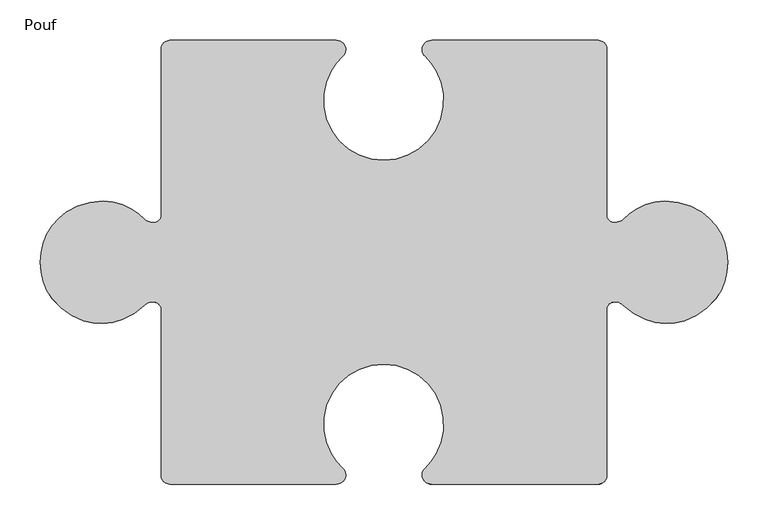
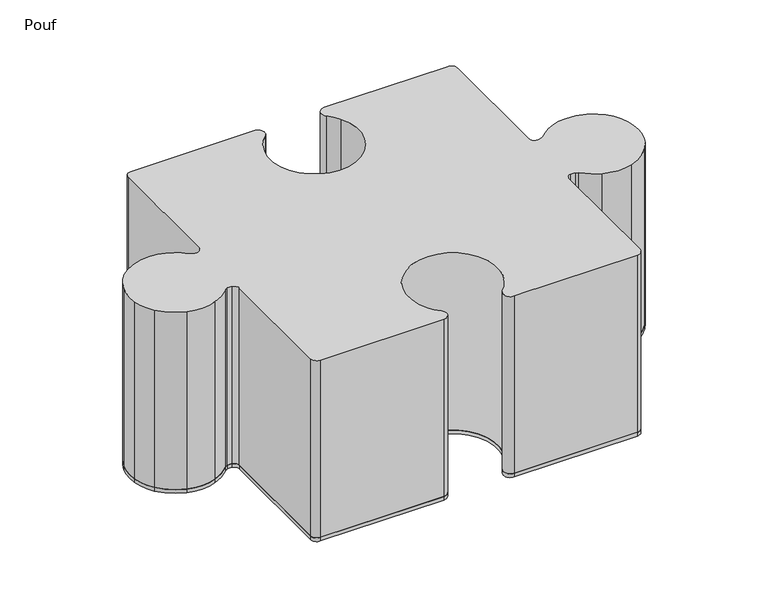
"""IFC4 building model written with IfcOpenShell, lengths in millimetres: furniture geometry, Pouf."""

from ifc_helpers import new_model, si_unit, point, frame, frame_2d, origin, origin_with_axes, place, context, project, spatial, polyline, circle_curve, trimmed, segment, composite_curve, outline, extrude, source, transform, mapped, element, save


def pouf_9f480b09(model_context):
    return source(origin(), model_context, "Body", "SweptSolid", [
        extrude(outline(composite_curve([segment(polyline([(294.7255158, 102.7178879), (294.7255158, 308.6695312)]), True, "CONTINUOUS"), segment(trimmed(circle_curve(frame_2d((305.4411408, 308.6695312)), 10.715625), [point((294.7255158, 308.6695312))], [point((305.4411408, 319.3851562))], False, "CARTESIAN"), True, "CONTINUOUS"), segment(polyline([(305.4411408, 319.3851562), (511.5899306, 319.3851562)]), True, "CONTINUOUS"), segment(trimmed(circle_curve(frame_2d((511.5899306, 307.8757812)), 11.509375), [point((511.5899306, 319.3851562))], [point((519.0485904, 299.1102746))], False, "CARTESIAN"), True, "CONTINUOUS"), segment(trimmed(circle_curve(frame_2d((560.0505979, 250.9242224)), 63.269742), [point((519.0485904, 299.1102746))], [point((504.9347235, 281.99351))], True, "CARTESIAN"), True, "CONTINUOUS"), segment(trimmed(circle_curve(frame_2d((569.9315617, 245.354239)), 74.6125), [point((504.9347235, 281.99351))], [point((634.9284, 281.99351))], True, "CARTESIAN"), True, "CONTINUOUS"), segment(trimmed(circle_curve(frame_2d((566.9754346, 243.687845)), 78.0059579), [point((634.9284, 281.99351))], [point((621.3247911, 299.6438717))], True, "CARTESIAN"), True, "CONTINUOUS"), segment(trimmed(circle_curve(frame_2d((629.3477286, 307.9039825)), 11.5150752), [point((621.3247911, 299.6438717))], [point((629.3477286, 319.4190577))], False, "CARTESIAN"), True, "CONTINUOUS"), segment(polyline([(629.3477286, 319.4190577), (835.5912415, 319.4190577)]), True, "CONTINUOUS"), segment(trimmed(circle_curve(frame_2d((835.5912415, 308.7034327)), 10.715625), [point((835.5912415, 319.4190577))], [point((846.3068665, 308.7034327))], False, "CARTESIAN"), True, "CONTINUOUS"), segment(polyline([(846.3068665, 308.7034327), (846.3068665, 102.4888551)]), True, "CONTINUOUS"), segment(trimmed(circle_curve(frame_2d((854.9865364, 102.4888551)), 8.6796699), [point((846.3068665, 102.4888551))], [point((854.0041889, 93.8649544))], True, "CARTESIAN"), True, "CONTINUOUS"), segment(trimmed(circle_curve(frame_2d((856.1101428, 112.3528487)), 18.6074522), [point((854.0041889, 93.8649544))], [point((861.8196614, 94.6430019))], True, "CARTESIAN"), True, "CONTINUOUS"), segment(trimmed(circle_curve(frame_2d((857.922788, 106.7303663)), 12.7), [point((861.8196614, 94.6430019))], [point((866.7382801, 97.5883151))], True, "CARTESIAN"), True, "CONTINUOUS"), segment(trimmed(circle_curve(frame_2d((930.5441764, 31.4188078)), 91.9216846), [point((866.7382801, 97.5883151))], [point((883.6759053, 110.4944758))], False, "CARTESIAN"), True, "CONTINUOUS"), segment(trimmed(circle_curve(frame_2d((918.635023, 51.5118097)), 68.5645302), [point((883.6759053, 110.4944758))], [point((918.2665682, 120.0753499))], False, "CARTESIAN"), True, "CONTINUOUS"), segment(trimmed(circle_curve(frame_2d((918.7040007, 38.6761571)), 81.4003681), [point((918.2665682, 120.0753499))], [point((963.7891975, 106.4503776))], False, "CARTESIAN"), True, "CONTINUOUS"), segment(trimmed(circle_curve(frame_2d((924.7022578, 47.6930235)), 70.570642), [point((963.7891975, 106.4503776))], [point((992.2020299, 68.2841934))], False, "CARTESIAN"), True, "CONTINUOUS"), segment(trimmed(circle_curve(frame_2d((911.9868027, 43.8141053)), 83.8645806), [point((992.2020299, 68.2841934))], [point((995.0750059, 32.4290986))], False, "CARTESIAN"), True, "CONTINUOUS"), segment(trimmed(circle_curve(frame_2d((926.6942002, 41.7988515)), 69.019757), [point((995.0750059, 32.4290986))], [point((981.0789261, -0.6985418))], False, "CARTESIAN"), True, "CONTINUOUS"), segment(trimmed(circle_curve(frame_2d((916.9539295, 49.4101083)), 81.3811527), [point((981.0789261, -0.6985418))], [point((942.1284875, -27.9793848))], False, "CARTESIAN"), True, "CONTINUOUS"), segment(trimmed(circle_curve(frame_2d((920.3610804, 38.9361335)), 70.3669425), [point((942.1284875, -27.9793848))], [point((894.6421509, -26.5622883))], False, "CARTESIAN"), True, "CONTINUOUS"), segment(trimmed(circle_curve(frame_2d((926.824515, 55.3965682)), 88.0508871), [point((894.6421509, -26.5622883))], [point((866.1471231, -8.4094882))], False, "CARTESIAN"), True, "CONTINUOUS"), segment(trimmed(circle_curve(frame_2d((857.3953331, -17.6125405)), 12.7), [point((866.1471231, -8.4094882))], [point((861.4814481, -5.58783))], True, "CARTESIAN"), True, "CONTINUOUS"), segment(trimmed(circle_curve(frame_2d((856.5451925, -20.114353)), 15.3423104), [point((861.4814481, -5.58783))], [point((853.7238294, -5.0336899))], True, "CARTESIAN"), True, "CONTINUOUS"), segment(trimmed(circle_curve(frame_2d((855.3951043, -13.9669371)), 9.0882378), [point((853.7238294, -5.0336899))], [point((846.3068665, -13.9669371))], True, "CARTESIAN"), True, "CONTINUOUS"), segment(polyline([(846.3068665, -13.9669371), (846.3068665, -219.8034327)]), True, "CONTINUOUS"), segment(trimmed(circle_curve(frame_2d((835.5912415, -219.8034327)), 10.715625), [point((846.3068665, -219.8034327))], [point((835.5912415, -230.5190577))], False, "CARTESIAN"), True, "CONTINUOUS"), segment(polyline([(835.5912415, -230.5190577), (629.3477286, -230.5190577)]), True, "CONTINUOUS"), segment(trimmed(circle_curve(frame_2d((629.3477286, -219.0039825)), 11.5150752), [point((629.3477286, -230.5190577))], [point((621.3247911, -210.7438717))], False, "CARTESIAN"), True, "CONTINUOUS"), segment(trimmed(circle_curve(frame_2d((566.9754346, -154.787845)), 78.0059579), [point((621.3247911, -210.7438717))], [point((634.9284, -193.09351))], True, "CARTESIAN"), True, "CONTINUOUS"), segment(trimmed(circle_curve(frame_2d((569.9315617, -156.454239)), 74.6125), [point((634.9284, -193.09351))], [point((504.9347235, -193.09351))], True, "CARTESIAN"), True, "CONTINUOUS"), segment(trimmed(circle_curve(frame_2d((560.0505979, -162.0242224)), 63.269742), [point((504.9347235, -193.09351))], [point((519.0485904, -210.2102746))], True, "CARTESIAN"), True, "CONTINUOUS"), segment(trimmed(circle_curve(frame_2d((511.5899306, -218.9757813)), 11.509375), [point((519.0485904, -210.2102746))], [point((511.5899306, -230.4851563))], False, "CARTESIAN"), True, "CONTINUOUS"), segment(polyline([(511.5899306, -230.4851563), (305.4411408, -230.4851563)]), True, "CONTINUOUS"), segment(trimmed(circle_curve(frame_2d((305.4411408, -219.7695313)), 10.715625), [point((305.4411408, -230.4851563))], [point((294.7255158, -219.7695313))], False, "CARTESIAN"), True, "CONTINUOUS"), segment(polyline([(294.7255158, -219.7695313), (294.7255158, -14.1237914)]), True, "CONTINUOUS"), segment(trimmed(circle_curve(frame_2d((285.4594509, -14.1237914)), 9.2660648), [point((294.7255158, -14.1237914))], [point((287.032552, -4.9922356))], True, "CARTESIAN"), True, "CONTINUOUS"), segment(trimmed(circle_curve(frame_2d((284.259255, -21.0907027)), 16.3355997), [point((287.032552, -4.9922356))], [point((279.7017405, -5.4037374))], True, "CARTESIAN"), True, "CONTINUOUS"), segment(trimmed(circle_curve(frame_2d((283.2449489, -17.599461)), 12.7), [point((279.7017405, -5.4037374))], [point((274.3989516, -8.486924))], True, "CARTESIAN"), True, "CONTINUOUS"), segment(trimmed(circle_curve(frame_2d((215.3706776, 52.3199377)), 84.7455696), [point((274.3989516, -8.486924))], [point((246.3449569, -26.5622883))], False, "CARTESIAN"), True, "CONTINUOUS"), segment(trimmed(circle_curve(frame_2d((220.6260273, 38.9361335)), 70.3669425), [point((246.3449569, -26.5622883))], [point((198.8586203, -27.9793848))], False, "CARTESIAN"), True, "CONTINUOUS"), segment(trimmed(circle_curve(frame_2d((224.0331783, 49.4101083)), 81.3811527), [point((198.8586203, -27.9793848))], [point((159.9081816, -0.6985418))], False, "CARTESIAN"), True, "CONTINUOUS"), segment(trimmed(circle_curve(frame_2d((214.2929076, 41.7988515)), 69.019757), [point((159.9081816, -0.6985418))], [point((145.9121019, 32.4290986))], False, "CARTESIAN"), True, "CONTINUOUS"), segment(trimmed(circle_curve(frame_2d((229.000305, 43.8141053)), 83.8645806), [point((145.9121019, 32.4290986))], [point((148.7850779, 68.2841934))], False, "CARTESIAN"), True, "CONTINUOUS"), segment(trimmed(circle_curve(frame_2d((216.28485, 47.6930235)), 70.570642), [point((148.7850779, 68.2841934))], [point((177.1979103, 106.4503776))], False, "CARTESIAN"), True, "CONTINUOUS"), segment(trimmed(circle_curve(frame_2d((222.2831071, 38.6761571)), 81.4003681), [point((177.1979103, 106.4503776))], [point((222.7205396, 120.0753499))], False, "CARTESIAN"), True, "CONTINUOUS"), segment(trimmed(circle_curve(frame_2d((222.3520848, 51.5118097)), 68.5645302), [point((222.7205396, 120.0753499))], [point((257.3112025, 110.4944758))], False, "CARTESIAN"), True, "CONTINUOUS"), segment(trimmed(circle_curve(frame_2d((210.4429314, 31.4188078)), 91.9216846), [point((257.3112025, 110.4944758))], [point((274.2488277, 97.5883151))], False, "CARTESIAN"), True, "CONTINUOUS"), segment(trimmed(circle_curve(frame_2d((283.0643198, 106.7303663)), 12.7), [point((274.2488277, 97.5883151))], [point((279.1674463, 94.6430019))], True, "CARTESIAN"), True, "CONTINUOUS"), segment(trimmed(circle_curve(frame_2d((284.876965, 112.3528487)), 18.6074522), [point((279.1674463, 94.6430019))], [point((286.6454179, 93.8296241))], True, "CARTESIAN"), True, "CONTINUOUS"), segment(trimmed(circle_curve(frame_2d((285.7968358, 102.7178879)), 8.9286799), [point((286.6454179, 93.8296241))], [point((294.7255158, 102.7178879))], True, "CARTESIAN"), True, "CONTINUOUS")], self_intersect=False)), origin_with_axes(), (0.0, 0.0, 1.0), 6.35),
        extrude(outline(composite_curve([segment(trimmed(circle_curve(frame_2d((835.5912415, 308.7034327)), 10.715625), [point((835.5912415, 319.4190577))], [point((846.3068665, 308.7034327))], False, "CARTESIAN"), True, "CONTINUOUS"), segment(polyline([(846.3068665, 308.7034327), (846.3068665, 102.4888551)]), True, "CONTINUOUS"), segment(trimmed(circle_curve(frame_2d((854.9865364, 102.4888551)), 8.6796699), [point((846.3068665, 102.4888551))], [point((854.0041889, 93.8649544))], True, "CARTESIAN"), True, "CONTINUOUS"), segment(trimmed(circle_curve(frame_2d((856.1101428, 112.3528487)), 18.6074522), [point((854.0041889, 93.8649544))], [point((861.8196614, 94.6430019))], True, "CARTESIAN"), True, "CONTINUOUS"), segment(trimmed(circle_curve(frame_2d((857.922788, 106.7303663)), 12.7), [point((861.8196614, 94.6430019))], [point((866.7382801, 97.5883151))], True, "CARTESIAN"), True, "CONTINUOUS"), segment(trimmed(circle_curve(frame_2d((930.5441764, 31.4188078)), 91.9216846), [point((866.7382801, 97.5883151))], [point((883.6759053, 110.4944758))], False, "CARTESIAN"), True, "CONTINUOUS"), segment(trimmed(circle_curve(frame_2d((918.635023, 51.5118097)), 68.5645302), [point((883.6759053, 110.4944758))], [point((918.2665682, 120.0753499))], False, "CARTESIAN"), True, "CONTINUOUS"), segment(trimmed(circle_curve(frame_2d((918.7040007, 38.6761571)), 81.4003681), [point((918.2665682, 120.0753499))], [point((963.7891975, 106.4503776))], False, "CARTESIAN"), True, "CONTINUOUS"), segment(trimmed(circle_curve(frame_2d((924.7022578, 47.6930235)), 70.570642), [point((963.7891975, 106.4503776))], [point((992.2020299, 68.2841934))], False, "CARTESIAN"), True, "CONTINUOUS"), segment(trimmed(circle_curve(frame_2d((911.9868027, 43.8141053)), 83.8645806), [point((992.2020299, 68.2841934))], [point((995.0750059, 32.4290986))], False, "CARTESIAN"), True, "CONTINUOUS"), segment(trimmed(circle_curve(frame_2d((926.6942002, 41.7988515)), 69.019757), [point((995.0750059, 32.4290986))], [point((981.0789261, -0.6985418))], False, "CARTESIAN"), True, "CONTINUOUS"), segment(trimmed(circle_curve(frame_2d((916.9539295, 49.4101083)), 81.3811527), [point((981.0789261, -0.6985418))], [point((942.1284875, -27.9793848))], False, "CARTESIAN"), True, "CONTINUOUS"), segment(trimmed(circle_curve(frame_2d((920.3610804, 38.9361335)), 70.3669425), [point((942.1284875, -27.9793848))], [point((894.6421509, -26.5622883))], False, "CARTESIAN"), True, "CONTINUOUS"), segment(trimmed(circle_curve(frame_2d((926.824515, 55.3965682)), 88.0508871), [point((894.6421509, -26.5622883))], [point((866.1471231, -8.4094882))], False, "CARTESIAN"), True, "CONTINUOUS"), segment(trimmed(circle_curve(frame_2d((857.3953331, -17.6125405)), 12.7), [point((866.1471231, -8.4094882))], [point((861.4814481, -5.58783))], True, "CARTESIAN"), True, "CONTINUOUS"), segment(trimmed(circle_curve(frame_2d((856.5451925, -20.114353)), 15.3423104), [point((861.4814481, -5.58783))], [point((853.7238294, -5.0336899))], True, "CARTESIAN"), True, "CONTINUOUS"), segment(trimmed(circle_curve(frame_2d((855.3951043, -13.9669371)), 9.0882378), [point((853.7238294, -5.0336899))], [point((846.3068665, -13.9669371))], True, "CARTESIAN"), True, "CONTINUOUS"), segment(polyline([(846.3068665, -13.9669371), (846.3068665, -219.8034327)]), True, "CONTINUOUS"), segment(trimmed(circle_curve(frame_2d((835.5912415, -219.8034327)), 10.715625), [point((846.3068665, -219.8034327))], [point((835.5912415, -230.5190577))], False, "CARTESIAN"), True, "CONTINUOUS"), segment(polyline([(835.5912415, -230.5190577), (629.3477286, -230.5190577)]), True, "CONTINUOUS"), segment(trimmed(circle_curve(frame_2d((629.3477286, -219.0039825)), 11.5150752), [point((629.3477286, -230.5190577))], [point((621.3247911, -210.7438717))], False, "CARTESIAN"), True, "CONTINUOUS"), segment(trimmed(circle_curve(frame_2d((566.9754346, -154.787845)), 78.0059579), [point((621.3247911, -210.7438717))], [point((634.9284, -193.09351))], True, "CARTESIAN"), True, "CONTINUOUS"), segment(trimmed(circle_curve(frame_2d((569.9315617, -156.454239)), 74.6125), [point((634.9284, -193.09351))], [point((504.9347235, -193.09351))], True, "CARTESIAN"), True, "CONTINUOUS"), segment(trimmed(circle_curve(frame_2d((560.0505979, -162.0242224)), 63.269742), [point((504.9347235, -193.09351))], [point((519.0485904, -210.2102746))], True, "CARTESIAN"), True, "CONTINUOUS"), segment(trimmed(circle_curve(frame_2d((511.5899306, -218.9757813)), 11.509375), [point((519.0485904, -210.2102746))], [point((511.5899306, -230.4851563))], False, "CARTESIAN"), True, "CONTINUOUS"), segment(polyline([(511.5899306, -230.4851563), (305.4411408, -230.4851563)]), True, "CONTINUOUS"), segment(trimmed(circle_curve(frame_2d((305.4411408, -219.7695313)), 10.715625), [point((305.4411408, -230.4851563))], [point((294.7255158, -219.7695313))], False, "CARTESIAN"), True, "CONTINUOUS"), segment(polyline([(294.7255158, -219.7695313), (294.7255158, -14.1237914)]), True, "CONTINUOUS"), segment(trimmed(circle_curve(frame_2d((285.4594509, -14.1237914)), 9.2660648), [point((294.7255158, -14.1237914))], [point((287.032552, -4.9922356))], True, "CARTESIAN"), True, "CONTINUOUS"), segment(trimmed(circle_curve(frame_2d((284.259255, -21.0907027)), 16.3355997), [point((287.032552, -4.9922356))], [point((279.7017405, -5.4037374))], True, "CARTESIAN"), True, "CONTINUOUS"), segment(trimmed(circle_curve(frame_2d((283.2449489, -17.599461)), 12.7), [point((279.7017405, -5.4037374))], [point((274.3989516, -8.486924))], True, "CARTESIAN"), True, "CONTINUOUS"), segment(trimmed(circle_curve(frame_2d((215.3706776, 52.3199377)), 84.7455696), [point((274.3989516, -8.486924))], [point((246.3449569, -26.5622883))], False, "CARTESIAN"), True, "CONTINUOUS"), segment(trimmed(circle_curve(frame_2d((220.6260273, 38.9361335)), 70.3669425), [point((246.3449569, -26.5622883))], [point((198.8586203, -27.9793848))], False, "CARTESIAN"), True, "CONTINUOUS"), segment(trimmed(circle_curve(frame_2d((224.0331783, 49.4101083)), 81.3811527), [point((198.8586203, -27.9793848))], [point((159.9081816, -0.6985418))], False, "CARTESIAN"), True, "CONTINUOUS"), segment(trimmed(circle_curve(frame_2d((214.2929076, 41.7988515)), 69.019757), [point((159.9081816, -0.6985418))], [point((145.9121019, 32.4290986))], False, "CARTESIAN"), True, "CONTINUOUS"), segment(trimmed(circle_curve(frame_2d((229.000305, 43.8141053)), 83.8645806), [point((145.9121019, 32.4290986))], [point((148.7850779, 68.2841934))], False, "CARTESIAN"), True, "CONTINUOUS"), segment(trimmed(circle_curve(frame_2d((216.28485, 47.6930235)), 70.570642), [point((148.7850779, 68.2841934))], [point((177.1979103, 106.4503776))], False, "CARTESIAN"), True, "CONTINUOUS"), segment(trimmed(circle_curve(frame_2d((222.2831071, 38.6761571)), 81.4003681), [point((177.1979103, 106.4503776))], [point((222.7205396, 120.0753499))], False, "CARTESIAN"), True, "CONTINUOUS"), segment(trimmed(circle_curve(frame_2d((222.3520848, 51.5118097)), 68.5645302), [point((222.7205396, 120.0753499))], [point((257.3112025, 110.4944758))], False, "CARTESIAN"), True, "CONTINUOUS"), segment(trimmed(circle_curve(frame_2d((210.4429314, 31.4188078)), 91.9216846), [point((257.3112025, 110.4944758))], [point((274.2488277, 97.5883151))], False, "CARTESIAN"), True, "CONTINUOUS"), segment(trimmed(circle_curve(frame_2d((283.0643198, 106.7303663)), 12.7), [point((274.2488277, 97.5883151))], [point((279.1674463, 94.6430019))], True, "CARTESIAN"), True, "CONTINUOUS"), segment(trimmed(circle_curve(frame_2d((284.876965, 112.3528487)), 18.6074522), [point((279.1674463, 94.6430019))], [point((286.6454179, 93.8296241))], True, "CARTESIAN"), True, "CONTINUOUS"), segment(trimmed(circle_curve(frame_2d((285.7968358, 102.7178879)), 8.9286799), [point((286.6454179, 93.8296241))], [point((294.7255158, 102.7178879))], True, "CARTESIAN"), True, "CONTINUOUS"), segment(polyline([(294.7255158, 102.7178879), (294.7255158, 308.6695312)]), True, "CONTINUOUS"), segment(trimmed(circle_curve(frame_2d((305.4411408, 308.6695312)), 10.715625), [point((294.7255158, 308.6695312))], [point((305.4411408, 319.3851562))], False, "CARTESIAN"), True, "CONTINUOUS"), segment(polyline([(305.4411408, 319.3851562), (511.5899306, 319.3851562)]), True, "CONTINUOUS"), segment(trimmed(circle_curve(frame_2d((511.5899306, 307.8757812)), 11.509375), [point((511.5899306, 319.3851562))], [point((519.0485904, 299.1102746))], False, "CARTESIAN"), True, "CONTINUOUS"), segment(trimmed(circle_curve(frame_2d((560.0505979, 250.9242224)), 63.269742), [point((519.0485904, 299.1102746))], [point((504.9347235, 281.99351))], True, "CARTESIAN"), True, "CONTINUOUS"), segment(trimmed(circle_curve(frame_2d((569.9315617, 245.354239)), 74.6125), [point((504.9347235, 281.99351))], [point((634.9284, 281.99351))], True, "CARTESIAN"), True, "CONTINUOUS"), segment(trimmed(circle_curve(frame_2d((566.9754346, 243.687845)), 78.0059579), [point((634.9284, 281.99351))], [point((621.3247911, 299.6438717))], True, "CARTESIAN"), True, "CONTINUOUS"), segment(trimmed(circle_curve(frame_2d((629.3477286, 307.9039825)), 11.5150752), [point((621.3247911, 299.6438717))], [point((629.3477286, 319.4190577))], False, "CARTESIAN"), True, "CONTINUOUS"), segment(polyline([(629.3477286, 319.4190577), (835.5912415, 319.4190577)]), True, "CONTINUOUS")], self_intersect=False)), frame((0.0, 0.0, 6.35), z_axis=(0.0, 0.0, 1.0), x_axis=(1.0, 0.0, 0.0)), (0.0, 0.0, 1.0), 313.7296875),
    ])


if __name__ == "__main__":
    model = new_model("IFC4")
    model_context = context("Model", 3, world=origin())
    ifc_project = project(units=[si_unit("LENGTHUNIT", "METRE", prefix="MILLI")], contexts=[model_context])
    site = spatial("IfcSite", under=ifc_project)
    building = spatial("IfcBuilding", under=site)
    placement = place(None, origin())
    pouf_shape = pouf_9f480b09(model_context)
    element("IfcFurniture", 1, ObjectType="Pouf", at=placement, inside=building, context=model_context, shape_type="MappedRepresentation", body=[
        mapped(pouf_shape, transform((0.0, 0.0, 0.0), x_axis=(1.0, 0.0, 0.0), y_axis=(0.0, 1.0, 0.0), z_axis=(0.0, 0.0, 1.0))),
    ])
    save(model, "model.ifc")
